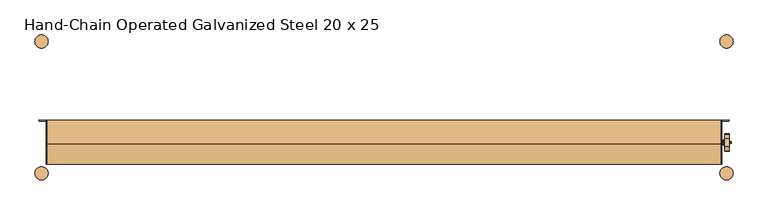
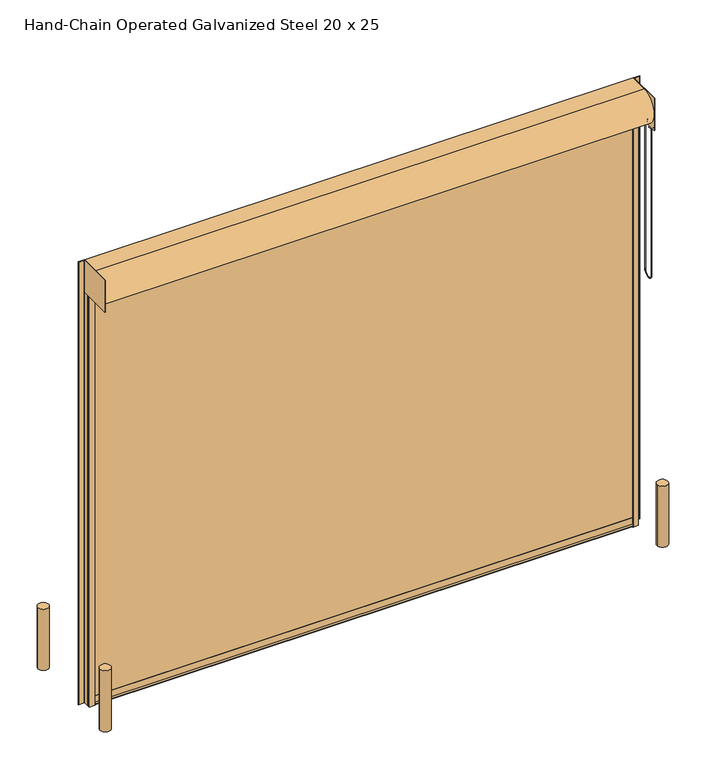
"""IFC4 building model written with IfcOpenShell, lengths in millimetres: door geometry, Hand-Chain Operated Galvanized Steel 20 x 25."""

import ifcopenshell
import ifcopenshell.guid

model = None  # the IFC model being written
_history = None  # IfcOwnerHistory: only IFC2X3 demands one
_inside = {}  # id of a spatial element -> (the spatial element, [elements in it])
_under = {}  # id of a project, library or spatial element -> (it, [spatial elements below it])
_declared = {}  # id of a project -> (the project, [libraries it declares])
_typed = {}  # id of a type object -> (the type object, [elements of that type])
_made_of = {}  # id of a material, layer set ... -> (it, [elements and type objects made of it])


def new_model(schema):
    """Start an empty IFC model of exactly this schema.

    Asked for "IFC4X3", IfcOpenShell would pick the latest addendum, in which some entities
    have other attributes; the version numbers below select the first issue.
    IFC2X3 requires an IfcOwnerHistory on every rooted entity: one is made here for all.
    """
    global model, _history
    if schema == "IFC4X3":
        model = ifcopenshell.file(schema_version=(4, 3, 0, 0))
    else:
        model = ifcopenshell.file(schema=schema)
    _inside.clear()
    _under.clear()
    _declared.clear()
    _typed.clear()
    _made_of.clear()
    _history = None
    if model.schema == "IFC2X3":
        org = make("IfcOrganization", Name="unknown")
        user = make(
            "IfcPersonAndOrganization",
            ThePerson=make("IfcPerson", FamilyName="unknown"),
            TheOrganization=org,
        )
        app = make(
            "IfcApplication",
            ApplicationDeveloper=org,
            Version="unknown",
            ApplicationFullName="unknown",
            ApplicationIdentifier="unknown",
        )
        _history = make(
            "IfcOwnerHistory",
            OwningUser=user,
            OwningApplication=app,
            ChangeAction="ADDED",
            CreationDate=0,
        )
    return model


def make(cls, **values):
    """One entity of the class cls with the attributes given. An attribute that is None is left unset."""
    return model.create_entity(
        cls, **{name: value for name, value in values.items() if value is not None}
    )


def rooted(cls, **values):
    """An entity with a GlobalId (a new one), such as an element, a storey or a relation."""
    return make(cls, GlobalId=ifcopenshell.guid.new(), OwnerHistory=_history, **values)


def si_unit(unit_type, name, prefix=None):
    """IfcSIUnit, for example si_unit("LENGTHUNIT", "METRE", prefix="MILLI")."""
    return make("IfcSIUnit", UnitType=unit_type, Prefix=prefix, Name=name)


def assignment(units):
    """IfcUnitAssignment: the units of a project."""
    return None if units is None else make("IfcUnitAssignment", Units=units)


def point(xyz):
    """IfcCartesianPoint."""
    return None if xyz is None else make("IfcCartesianPoint", Coordinates=xyz)


def direction(xyz):
    """IfcDirection."""
    return None if xyz is None else make("IfcDirection", DirectionRatios=xyz)


def frame(location, z_axis=None, x_axis=None):
    """IfcAxis2Placement3D, a coordinate frame: its origin and axes. An axis left out is left unset."""
    return make(
        "IfcAxis2Placement3D",
        Location=point(location),
        Axis=direction(z_axis),
        RefDirection=direction(x_axis),
    )


def frame_2d(location, x_axis=None):
    """IfcAxis2Placement2D, a coordinate frame in the plane: its origin and x axis."""
    return make(
        "IfcAxis2Placement2D", Location=point(location), RefDirection=direction(x_axis)
    )


def origin():
    """The frame at (0, 0, 0) with its axes left unset."""
    return frame((0.0, 0.0, 0.0))


def origin_with_axes():
    """The frame at (0, 0, 0) with the z axis (0, 0, 1) and the x axis (1, 0, 0) written out."""
    return frame((0.0, 0.0, 0.0), z_axis=(0.0, 0.0, 1.0), x_axis=(1.0, 0.0, 0.0))


def place(relative_to, where):
    """IfcLocalPlacement: puts the frame where relative to a parent placement (None: the world)."""
    return make(
        "IfcLocalPlacement", PlacementRelTo=relative_to, RelativePlacement=where
    )


def context(
    kind, dimensions, precision=None, world=None, true_north=None, identifier=None
):
    """IfcGeometricRepresentationContext, for example the 3D "Model" context."""
    return make(
        "IfcGeometricRepresentationContext",
        ContextIdentifier=identifier,
        ContextType=kind,
        CoordinateSpaceDimension=dimensions,
        Precision=precision,
        WorldCoordinateSystem=world,
        TrueNorth=true_north,
    )


def project(units=None, contexts=None):
    """IfcProject with its units and contexts."""
    return rooted(
        "IfcProject",
        Name="project",
        RepresentationContexts=contexts,
        UnitsInContext=assignment(units),
    )


def spatial(cls, under=None, at=None, **own):
    """A site, building, storey or space (cls), placed at a placement, below another one or the project."""
    s = rooted(cls, ObjectPlacement=at, **own)
    if under is not None:
        _under.setdefault(under.id(), (under, []))[1].append(s)
    return s


def polyline(points):
    """IfcPolyline through the points."""
    return make("IfcPolyline", Points=[point(p) for p in points])


def circle_curve(where, radius):
    """IfcCircle in the frame where."""
    return make("IfcCircle", Position=where, Radius=radius)


def ellipse_curve(where, semi_axis1, semi_axis2):
    """IfcEllipse in the frame where."""
    return make(
        "IfcEllipse", Position=where, SemiAxis1=semi_axis1, SemiAxis2=semi_axis2
    )


def trimmed(basis, trim1, trim2, sense, master):
    """IfcTrimmedCurve: the piece of a basis curve between two trims."""
    return make(
        "IfcTrimmedCurve",
        BasisCurve=basis,
        Trim1=trim1,
        Trim2=trim2,
        SenseAgreement=sense,
        MasterRepresentation=master,
    )


def segment(curve, same_sense, transition):
    """IfcCompositeCurveSegment."""
    return make(
        "IfcCompositeCurveSegment",
        Transition=transition,
        SameSense=same_sense,
        ParentCurve=curve,
    )


def composite_curve(segments, self_intersect=None):
    """IfcCompositeCurve: segments joined end to end."""
    return make("IfcCompositeCurve", Segments=segments, SelfIntersect=self_intersect)


def outline(outer, holes=None, kind="AREA"):
    """IfcArbitraryClosedProfileDef: a profile drawn as a closed curve; with holes, ...WithVoids."""
    if holes is None:
        return make("IfcArbitraryClosedProfileDef", ProfileType=kind, OuterCurve=outer)
    return make(
        "IfcArbitraryProfileDefWithVoids",
        ProfileType=kind,
        OuterCurve=outer,
        InnerCurves=holes,
    )


def extrude(swept, where, along, depth):
    """IfcExtrudedAreaSolid: the profile swept, set in the frame where, extruded along a direction by depth."""
    return make(
        "IfcExtrudedAreaSolid",
        SweptArea=swept,
        Position=where,
        ExtrudedDirection=direction(along),
        Depth=depth,
    )


def shape(context_of_items, identifier, shape_type, items):
    """IfcShapeRepresentation: the items that make up one representation, for example the "Body"."""
    return make(
        "IfcShapeRepresentation",
        ContextOfItems=context_of_items,
        RepresentationIdentifier=identifier,
        RepresentationType=shape_type,
        Items=items,
    )


def source(mapping_origin, context_of_items, identifier, shape_type, items):
    """IfcRepresentationMap: a shape defined once, which mapped items show again and again."""
    return make(
        "IfcRepresentationMap",
        MappingOrigin=mapping_origin,
        MappedRepresentation=shape(context_of_items, identifier, shape_type, items),
    )


def transform(
    local_origin,
    x_axis=None,
    y_axis=None,
    z_axis=None,
    scale=None,
    scale2=None,
    scale3=None,
    uniform=True,
):
    """IfcCartesianTransformationOperator3D, or its non-uniform kind. x_axis, y_axis, z_axis: its Axis1, 2, 3."""
    if uniform:
        return make(
            "IfcCartesianTransformationOperator3D",
            Axis1=direction(x_axis),
            Axis2=direction(y_axis),
            LocalOrigin=point(local_origin),
            Scale=scale,
            Axis3=direction(z_axis),
        )
    return make(
        "IfcCartesianTransformationOperator3DnonUniform",
        Axis1=direction(x_axis),
        Axis2=direction(y_axis),
        LocalOrigin=point(local_origin),
        Scale=scale,
        Axis3=direction(z_axis),
        Scale2=scale2,
        Scale3=scale3,
    )


def mapped(mapping_source, mapping_target):
    """IfcMappedItem: shows the shape of a source again, moved by a transform."""
    return make(
        "IfcMappedItem", MappingSource=mapping_source, MappingTarget=mapping_target
    )


def made_of(thing, what):
    """Note that an element or type object is made of a material, layer set ...; save() writes the relation."""
    if what is not None:
        _made_of.setdefault(what.id(), (what, []))[1].append(thing)
    return thing


def element(
    cls,
    number,
    at=None,
    inside=None,
    cuts=None,
    type_object=None,
    material=None,
    context=None,
    identifier="Body",
    shape_type=None,
    held_by="IfcProductDefinitionShape",
    body=None,
    shapes=None,
    **own,
):
    """One element of the class cls, such as IfcWall. Its Tag is "e" and its number.

    at: its placement. inside: the storey or other place that contains it. cuts: it is an
    opening in that element (IfcRelVoidsElement). A single representation is given by context,
    identifier, shape_type and body (its items); several are given by shapes. held_by: the class
    of the entity that holds the representations. save() writes the other relations.
    """
    e = rooted(cls, Tag="e%d" % number, ObjectPlacement=at, **own)
    if body is not None:
        shapes = [shape(context, identifier, shape_type, body)]
    if shapes is not None:
        e.Representation = make(held_by, Representations=shapes)
    if inside is not None:
        _inside.setdefault(inside.id(), (inside, []))[1].append(e)
    if cuts is not None:
        rooted(
            "IfcRelVoidsElement", RelatingBuildingElement=cuts, RelatedOpeningElement=e
        )
    if type_object is not None:
        _typed.setdefault(type_object.id(), (type_object, []))[1].append(e)
    return made_of(e, material)


def aggregate(whole, parts):
    """IfcRelAggregates: a whole, such as a stair, and the parts it consists of."""
    return rooted("IfcRelAggregates", RelatingObject=whole, RelatedObjects=parts)


def save(model, path):
    """Write the relations noted so far, then the file.

    IfcRelAggregates (storeys below a building ...), IfcRelContainedInSpatialStructure (elements
    in a storey), IfcRelDefinesByType, IfcRelAssociatesMaterial and IfcRelDeclares: one each for
    every whole, place, type object, material and project.
    """
    for whole, parts in _under.values():
        aggregate(whole, parts)
    for where, things in _inside.values():
        rooted(
            "IfcRelContainedInSpatialStructure",
            RelatedElements=things,
            RelatingStructure=where,
        )
    for kind, things in _typed.values():
        rooted("IfcRelDefinesByType", RelatedObjects=things, RelatingType=kind)
    for what, things in _made_of.values():
        rooted("IfcRelAssociatesMaterial", RelatedObjects=things, RelatingMaterial=what)
    for by, libraries in _declared.values():
        rooted("IfcRelDeclares", RelatingContext=by, RelatedDefinitions=libraries)
    model.write(path)


def plane_surface(at):
    """IfcPlane: the flat surface through the origin of the frame at, square to its z axis."""
    return make("IfcPlane", Position=at)


def cylinder_surface(at, radius):
    """IfcCylindricalSurface: all points at the distance radius from the z axis of the frame at."""
    return make("IfcCylindricalSurface", Position=at, Radius=radius)


def revolved_surface(curve, axis_point, axis_direction):
    """IfcSurfaceOfRevolution: the curve turned about the line through axis_point along axis_direction."""
    return make(
        "IfcSurfaceOfRevolution",
        SweptCurve=make("IfcArbitraryOpenProfileDef", ProfileType="CURVE", Curve=curve),
        AxisPosition=make("IfcAxis1Placement", Location=point(axis_point), Axis=direction(axis_direction)),
    )


def advanced_brep(points, edges, surfaces, faces):
    """IfcAdvancedBrep: a solid bounded by faces that lie on surfaces and meet in shared edges.

    An edge is (start, end): straight between two places in points (the first is 0);
    or (start, end, curve); or (start, end, curve, False) where it runs against its curve.
    A face is (place in surfaces, loops), or (place, loops, False) where it looks against
    its surface's normal. A loop lists edges by number (the first is 1), with a minus sign
    where the edge is run from its end to its start. The first loop is the outer one.
    """
    corners = [point(p) for p in points]
    vertices = [make("IfcVertexPoint", VertexGeometry=c) for c in corners]
    made = []
    for start, end, *more in edges:
        made.append(
            make(
                "IfcEdgeCurve",
                EdgeStart=vertices[start],
                EdgeEnd=vertices[end],
                EdgeGeometry=more[0] if more else make("IfcPolyline", Points=[corners[start], corners[end]]),
                SameSense=more[1] if len(more) > 1 else True,
            )
        )
    hull = []
    for where, loops, *sense in faces:
        bounds = []
        for j, loop in enumerate(loops):
            ring = [make("IfcOrientedEdge", EdgeElement=made[abs(k) - 1], Orientation=k > 0) for k in loop]
            bounds.append(
                make(
                    "IfcFaceOuterBound" if j == 0 else "IfcFaceBound",
                    Bound=make("IfcEdgeLoop", EdgeList=ring),
                    Orientation=True,
                )
            )
        hull.append(make("IfcAdvancedFace", Bounds=bounds, FaceSurface=surfaces[where], SameSense=sense[0] if sense else True))
    return make("IfcAdvancedBrep", Outer=make("IfcClosedShell", CfsFaces=hull))


def hand_chain_operated_galvanized_steel_20_x_25_2284f05a(model_context):
    return source(origin(), model_context, "Body", "SolidModel", [
        extrude(outline(composite_curve([segment(trimmed(circle_curve(frame_2d((-3048.0, -762.0)), 76.2), [point((-3124.2, -762.0))], [point((-2971.8, -762.0))], False, "CARTESIAN"), True, "CONTINUOUS"), segment(trimmed(circle_curve(frame_2d((-3048.0, -762.0)), 76.2), [point((-2971.8, -762.0))], [point((-3124.2, -762.0))], False, "CARTESIAN"), True, "CONTINUOUS")], self_intersect=False)), origin_with_axes(), (0.0, 0.0, 1.0), 914.4),
        extrude(outline(composite_curve([segment(trimmed(circle_curve(frame_2d((4876.8, -762.0)), 76.2), [point((4800.6, -762.0))], [point((4953.0, -762.0))], False, "CARTESIAN"), True, "CONTINUOUS"), segment(trimmed(circle_curve(frame_2d((4876.8, -762.0)), 76.2), [point((4953.0, -762.0))], [point((4800.6, -762.0))], False, "CARTESIAN"), True, "CONTINUOUS")], self_intersect=False)), origin_with_axes(), (0.0, 0.0, 1.0), 914.4),
        extrude(outline(composite_curve([segment(trimmed(circle_curve(frame_2d((4876.8, 762.0)), 76.2), [point((4953.0, 762.0))], [point((4800.6, 762.0))], False, "CARTESIAN"), True, "CONTINUOUS"), segment(trimmed(circle_curve(frame_2d((4876.8, 762.0)), 76.2), [point((4800.6, 762.0))], [point((4953.0, 762.0))], False, "CARTESIAN"), True, "CONTINUOUS")], self_intersect=False)), origin_with_axes(), (0.0, 0.0, 1.0), 914.4),
        extrude(outline(composite_curve([segment(trimmed(circle_curve(frame_2d((-3048.0, 762.0)), 76.2), [point((-3124.2, 762.0))], [point((-2971.8, 762.0))], False, "CARTESIAN"), True, "CONTINUOUS"), segment(trimmed(circle_curve(frame_2d((-3048.0, 762.0)), 76.2), [point((-2971.8, 762.0))], [point((-3124.2, 762.0))], False, "CARTESIAN"), True, "CONTINUOUS")], self_intersect=False)), origin_with_axes(), (0.0, 0.0, 1.0), 914.4),
        extrude(outline(polyline([(-2995.6252, -660.4), (-2995.6252, -152.4), (-2989.2752, -152.4), (-2989.2752, -660.4), (-2995.6252, -660.4)])), frame((0.0, 0.0, 6172.2), z_axis=(0.0, 0.0, 1.0), x_axis=(1.0, 0.0, 0.0)), (0.0, 0.0, 1.0), 482.6),
        advanced_brep(
        [(4908.6309604, -455.9483399, 6281.6469387), (4908.6309604, -503.2375, 6158.4544649), (4908.6309604, -503.2375, 6103.6877303), (4908.6309604, -507.3066884, 6093.7069784), (4908.6309604, -505.5997, 6089.65), (4908.6309604, -465.9249, 6089.65), (4908.6309604, -464.2179116, 6093.7069784), (4908.6309604, -468.2871, 6103.6877303), (4908.6309604, -468.2871, 6108.7), (4908.6309604, -455.5871, 6121.4), (4908.6309604, -446.4352267, 6121.4), (4908.6309604, -366.3647733, 6121.4), (4908.6309604, -357.2129, 6121.4), (4908.6309604, -344.7479873, 6106.267727), (4908.6309604, -348.5820884, 6093.7069784), (4908.6309604, -346.8751, 6089.65), (4908.6309604, -307.2003, 6089.65), (4908.6309604, -305.4933116, 6093.7069784), (4908.6309604, -309.5625, 6103.6877303), (4908.6309604, -309.5625, 6156.6891105), (4908.6309604, -310.1951464, 6160.1025652), (4908.6309604, -356.8516601, 6281.6469387), (4908.6309604, -390.525, 6200.775), (4908.6309604, -422.275, 6200.775), (4857.8309604, -455.9483399, 6281.6469387), (4857.8309604, -356.8516601, 6281.6469387), (4857.8309604, -310.1951464, 6160.1025652), (4857.8309604, -309.5625, 6156.6891105), (4857.8309604, -309.5625, 6103.6877303), (4857.8309604, -305.4933116, 6093.7069784), (4857.8309604, -307.2003, 6089.65), (4857.8309604, -346.8751, 6089.65), (4857.8309604, -348.5820884, 6093.7069784), (4857.8309604, -344.7479873, 6106.267727), (4857.8309604, -357.2129, 6121.4), (4857.8309604, -366.3647733, 6121.4), (4857.8309604, -446.4352267, 6121.4), (4857.8309604, -455.5871, 6121.4), (4857.8309604, -468.2871, 6108.7), (4857.8309604, -468.2871, 6103.6877303), (4857.8309604, -464.2179116, 6093.7069784), (4857.8309604, -465.9249, 6089.65), (4857.8309604, -505.5997, 6089.65), (4857.8309604, -507.3066884, 6093.7069784), (4857.8309604, -503.2375, 6103.6877303), (4857.8309604, -503.2375, 6158.4544649), (4857.8309604, -406.4, 6220.3965), (4857.8309604, -406.4, 6182.2965), (4922.9184604, -422.275, 6200.775), (4922.9184604, -390.525, 6200.775), (4922.9184604, -406.4, 6191.8215), (4922.9184604, -406.4, 6210.8715), (4929.1875, -406.4, 6194.9965), (4929.1875, -406.4, 6207.6965), (4926.0125, -406.4, 6210.8715), (4926.0125, -406.4, 6191.8215), (4929.1875, -406.4, 6201.3465), (4824.4125, -406.4, 6175.9465), (4824.4125, -406.4, 6226.7465), (4824.4125, -406.4, 6201.3465), (4830.7625, -406.4, 6175.9465), (4830.7625, -406.4, 6226.7465), (4830.7625, -406.4, 6179.9089), (4830.7625, -406.4, 6222.7841), (4840.8971, -406.4, 6179.9089), (4840.8971, -406.4, 6222.7841), (4840.8971, -406.4, 6176.06715), (4840.8971, -406.4, 6226.62585), (4842.4846, -406.4, 6169.71715), (4842.4846, -406.4, 6232.97585), (4845.05, -406.4, 6169.71715), (4845.05, -406.4, 6232.97585), (4846.6375, -406.4, 6176.06715), (4846.6375, -406.4, 6226.62585), (4846.6375, -406.4, 6182.2965), (4846.6375, -406.4, 6220.3965)],
        [
            (0, 1),
            (1, 2),
            (2, 3, circle_curve(frame((4908.6309604, -517.5123, 6103.6877303), z_axis=(-1.0, 0.0, 0.0), x_axis=(0.0, 1.0, 0.0)), 14.2748)),
            (3, 4, circle_curve(frame((4908.6309604, -505.5997, 6092.0376), z_axis=(1.0, 0.0, 0.0), x_axis=(0.0, 1.0, 0.0)), 2.3876)),
            (4, 5),
            (5, 6, circle_curve(frame((4908.6309604, -465.9249, 6092.0376), z_axis=(1.0, 0.0, 0.0), x_axis=(0.0, 1.0, 0.0)), 2.3876)),
            (6, 7, circle_curve(frame((4908.6309604, -454.0123, 6103.6877303), z_axis=(-1.0, 0.0, 0.0), x_axis=(0.0, 1.0, 0.0)), 14.2748)),
            (7, 8),
            (8, 9, circle_curve(frame((4908.6309604, -455.5871, 6108.7), z_axis=(-1.0, 0.0, 0.0), x_axis=(0.0, 1.0, 0.0)), 12.7)),
            (9, 10),
            (10, 11, circle_curve(frame((4908.6309604, -406.4, 6200.775), z_axis=(1.0, 0.0, 0.0), x_axis=(0.0, 1.0, 0.0)), 88.9)),
            (11, 12),
            (12, 13, circle_curve(frame((4908.6309604, -357.2129, 6108.7), z_axis=(-1.0, 0.0, 0.0), x_axis=(0.0, 1.0, 0.0)), 12.7)),
            (13, 14, circle_curve(frame((4908.6309604, -358.7877, 6103.6877303), z_axis=(-1.0, 0.0, 0.0), x_axis=(0.0, 1.0, 0.0)), 14.2748)),
            (14, 15, circle_curve(frame((4908.6309604, -346.8751, 6092.0376), z_axis=(1.0, 0.0, 0.0), x_axis=(0.0, 1.0, 0.0)), 2.3876)),
            (15, 16),
            (16, 17, circle_curve(frame((4908.6309604, -307.2003, 6092.0376), z_axis=(1.0, 0.0, 0.0), x_axis=(0.0, 1.0, 0.0)), 2.3876)),
            (17, 18, circle_curve(frame((4908.6309604, -295.2877, 6103.6877303), z_axis=(-1.0, 0.0, 0.0), x_axis=(0.0, 1.0, 0.0)), 14.2748)),
            (18, 19),
            (19, 20, circle_curve(frame((4908.6309604, -319.0875, 6156.6891105), z_axis=(1.0, 0.0, 0.0), x_axis=(0.0, 1.0, 0.0)), 9.525)),
            (20, 21),
            (21, 0, circle_curve(frame((4908.6309604, -406.4, 6200.775), z_axis=(1.0, 0.0, 0.0), x_axis=(0.0, 1.0, 0.0)), 94.8436)),
            (22, 23, circle_curve(frame((4908.6309604, -406.4, 6200.775), z_axis=(-1.0, 0.0, 0.0), x_axis=(0.0, 1.0, 0.0)), 15.875)),
            (23, 22, circle_curve(frame((4908.6309604, -406.4, 6200.775), z_axis=(-1.0, 0.0, 0.0), x_axis=(0.0, 1.0, 0.0)), 15.875)),
            (24, 25, circle_curve(frame((4857.8309604, -406.4, 6200.775), z_axis=(-1.0, 0.0, 0.0), x_axis=(0.0, 1.0, 0.0)), 94.8436)),
            (25, 26),
            (26, 27, circle_curve(frame((4857.8309604, -319.0875, 6156.6891105), z_axis=(-1.0, 0.0, 0.0), x_axis=(0.0, 1.0, 0.0)), 9.525)),
            (27, 28),
            (28, 29, circle_curve(frame((4857.8309604, -295.2877, 6103.6877303), z_axis=(1.0, 0.0, 0.0), x_axis=(0.0, 1.0, 0.0)), 14.2748)),
            (29, 30, circle_curve(frame((4857.8309604, -307.2003, 6092.0376), z_axis=(-1.0, 0.0, 0.0), x_axis=(0.0, 1.0, 0.0)), 2.3876)),
            (30, 31),
            (31, 32, circle_curve(frame((4857.8309604, -346.8751, 6092.0376), z_axis=(-1.0, 0.0, 0.0), x_axis=(0.0, 1.0, 0.0)), 2.3876)),
            (32, 33, circle_curve(frame((4857.8309604, -358.7877, 6103.6877303), z_axis=(1.0, 0.0, 0.0), x_axis=(0.0, 1.0, 0.0)), 14.2748)),
            (33, 34, circle_curve(frame((4857.8309604, -357.2129, 6108.7), z_axis=(1.0, 0.0, 0.0), x_axis=(0.0, 1.0, 0.0)), 12.7)),
            (34, 35),
            (35, 36, circle_curve(frame((4857.8309604, -406.4, 6200.775), z_axis=(-1.0, 0.0, 0.0), x_axis=(0.0, 1.0, 0.0)), 88.9)),
            (36, 37),
            (37, 38, circle_curve(frame((4857.8309604, -455.5871, 6108.7), z_axis=(1.0, 0.0, 0.0), x_axis=(0.0, 1.0, 0.0)), 12.7)),
            (38, 39),
            (39, 40, circle_curve(frame((4857.8309604, -454.0123, 6103.6877303), z_axis=(1.0, 0.0, 0.0), x_axis=(0.0, 1.0, 0.0)), 14.2748)),
            (40, 41, circle_curve(frame((4857.8309604, -465.9249, 6092.0376), z_axis=(-1.0, 0.0, 0.0), x_axis=(0.0, 1.0, 0.0)), 2.3876)),
            (41, 42),
            (42, 43, circle_curve(frame((4857.8309604, -505.5997, 6092.0376), z_axis=(-1.0, 0.0, 0.0), x_axis=(0.0, 1.0, 0.0)), 2.3876)),
            (43, 44, circle_curve(frame((4857.8309604, -517.5123, 6103.6877303), z_axis=(1.0, 0.0, 0.0), x_axis=(0.0, 1.0, 0.0)), 14.2748)),
            (44, 45),
            (45, 24),
            (46, 47, circle_curve(frame((4857.8309604, -406.4, 6201.3465), z_axis=(1.0, 0.0, 0.0), x_axis=(0.0, 0.0, 1.0)), 19.05)),
            (47, 46, circle_curve(frame((4857.8309604, -406.4, 6201.3465), z_axis=(1.0, 0.0, 0.0), x_axis=(0.0, 0.0, 1.0)), 19.05)),
            (0, 24),
            (45, 1),
            (44, 2),
            (43, 3),
            (42, 4),
            (41, 5),
            (40, 6),
            (39, 7),
            (38, 8),
            (37, 9),
            (36, 10),
            (35, 11),
            (34, 12),
            (33, 13),
            (32, 14),
            (31, 15),
            (30, 16),
            (29, 17),
            (28, 18),
            (27, 19),
            (26, 20),
            (25, 21),
            (48, 49, circle_curve(frame((4922.9184604, -406.4, 6200.775), z_axis=(1.0, 0.0, 0.0), x_axis=(0.0, 1.0, 0.0)), 15.875)),
            (49, 48, circle_curve(frame((4922.9184604, -406.4, 6200.775), z_axis=(1.0, 0.0, 0.0), x_axis=(0.0, 1.0, 0.0)), 15.875)),
            (50, 51, circle_curve(frame((4922.9184604, -406.4, 6201.3465), z_axis=(-1.0, 0.0, 0.0), x_axis=(0.0, 0.0, 1.0)), 9.525)),
            (51, 50, circle_curve(frame((4922.9184604, -406.4, 6201.3465), z_axis=(-1.0, 0.0, 0.0), x_axis=(0.0, 0.0, 1.0)), 9.525)),
            (48, 23),
            (22, 49),
            (52, 53, circle_curve(frame((4929.1875, -406.4, 6201.3465), z_axis=(-1.0, 0.0, 0.0), x_axis=(0.0, 0.0, 1.0)), 6.35)),
            (53, 54),
            (54, 55, circle_curve(frame((4926.0125, -406.4, 6201.3465), z_axis=(1.0, 0.0, 0.0), x_axis=(0.0, 0.0, 1.0)), 9.525)),
            (55, 52),
            (53, 52, circle_curve(frame((4929.1875, -406.4, 6201.3465), z_axis=(-1.0, 0.0, 0.0), x_axis=(0.0, 0.0, 1.0)), 6.35)),
            (55, 54, circle_curve(frame((4926.0125, -406.4, 6201.3465), z_axis=(1.0, 0.0, 0.0), x_axis=(0.0, 0.0, 1.0)), 9.525)),
            (52, 56),
            (56, 53),
            (54, 51),
            (50, 55),
            (57, 58, circle_curve(frame((4824.4125, -406.4, 6201.3465), z_axis=(-1.0, 0.0, 0.0), x_axis=(0.0, 0.0, 1.0)), 25.4)),
            (58, 59),
            (59, 57),
            (58, 57, circle_curve(frame((4824.4125, -406.4, 6201.3465), z_axis=(-1.0, 0.0, 0.0), x_axis=(0.0, 0.0, 1.0)), 25.4)),
            (57, 60),
            (60, 61, circle_curve(frame((4830.7625, -406.4, 6201.3465), z_axis=(-1.0, 0.0, 0.0), x_axis=(0.0, 0.0, 1.0)), 25.4)),
            (61, 58),
            (61, 60, circle_curve(frame((4830.7625, -406.4, 6201.3465), z_axis=(-1.0, 0.0, 0.0), x_axis=(0.0, 0.0, 1.0)), 25.4)),
            (60, 62),
            (62, 63, circle_curve(frame((4830.7625, -406.4, 6201.3465), z_axis=(-1.0, 0.0, 0.0), x_axis=(0.0, 0.0, 1.0)), 21.4376)),
            (63, 61),
            (63, 62, circle_curve(frame((4830.7625, -406.4, 6201.3465), z_axis=(-1.0, 0.0, 0.0), x_axis=(0.0, 0.0, 1.0)), 21.4376)),
            (62, 64),
            (64, 65, circle_curve(frame((4840.8971, -406.4, 6201.3465), z_axis=(-1.0, 0.0, 0.0), x_axis=(0.0, 0.0, 1.0)), 21.4376)),
            (65, 63),
            (65, 64, circle_curve(frame((4840.8971, -406.4, 6201.3465), z_axis=(-1.0, 0.0, 0.0), x_axis=(0.0, 0.0, 1.0)), 21.4376)),
            (64, 66),
            (66, 67, circle_curve(frame((4840.8971, -406.4, 6201.3465), z_axis=(-1.0, 0.0, 0.0), x_axis=(0.0, 0.0, 1.0)), 25.27935)),
            (67, 65),
            (67, 66, circle_curve(frame((4840.8971, -406.4, 6201.3465), z_axis=(-1.0, 0.0, 0.0), x_axis=(0.0, 0.0, 1.0)), 25.27935)),
            (66, 68),
            (68, 69, circle_curve(frame((4842.4846, -406.4, 6201.3465), z_axis=(-1.0, 0.0, 0.0), x_axis=(0.0, 0.0, 1.0)), 31.62935)),
            (69, 67),
            (69, 68, circle_curve(frame((4842.4846, -406.4, 6201.3465), z_axis=(-1.0, 0.0, 0.0), x_axis=(0.0, 0.0, 1.0)), 31.62935)),
            (68, 70),
            (70, 71, circle_curve(frame((4845.05, -406.4, 6201.3465), z_axis=(-1.0, 0.0, 0.0), x_axis=(0.0, 0.0, 1.0)), 31.62935)),
            (71, 69),
            (71, 70, circle_curve(frame((4845.05, -406.4, 6201.3465), z_axis=(-1.0, 0.0, 0.0), x_axis=(0.0, 0.0, 1.0)), 31.62935)),
            (70, 72),
            (72, 73, circle_curve(frame((4846.6375, -406.4, 6201.3465), z_axis=(-1.0, 0.0, 0.0), x_axis=(0.0, 0.0, 1.0)), 25.27935)),
            (73, 71),
            (73, 72, circle_curve(frame((4846.6375, -406.4, 6201.3465), z_axis=(-1.0, 0.0, 0.0), x_axis=(0.0, 0.0, 1.0)), 25.27935)),
            (72, 74),
            (74, 75, circle_curve(frame((4846.6375, -406.4, 6201.3465), z_axis=(-1.0, 0.0, 0.0), x_axis=(0.0, 0.0, 1.0)), 19.05)),
            (75, 73),
            (75, 74, circle_curve(frame((4846.6375, -406.4, 6201.3465), z_axis=(-1.0, 0.0, 0.0), x_axis=(0.0, 0.0, 1.0)), 19.05)),
            (74, 47),
            (46, 75),
        ],
        [
            plane_surface(frame((4908.6309604, -456.1174554, 6281.2063779), z_axis=(1.0, 0.0, 0.0), x_axis=(0.0, -0.3583679495453003, -0.9335804264972017))),
            plane_surface(frame((4857.8309604, -456.1174554, 6281.2063779), z_axis=(-1.0, 0.0, 0.0), x_axis=(0.0, 0.3583679495453003, 0.9335804264972017))),
            plane_surface(frame((4908.6309604, -455.9483399, 6281.6469387), z_axis=(0.0, -0.9335804264972017, 0.3583679495453003), x_axis=(-1.0, 0.0, 0.0))),
            plane_surface(frame((4908.6309604, -503.2375, 6158.4544649), z_axis=(0.0, -1.0, 0.0), x_axis=(-1.0, 0.0, 0.0))),
            revolved_surface(polyline([(4857.8309604, -503.23749999999995, 6103.6877303), (4908.6309604, -503.23749999999995, 6103.6877303)]), (4857.8309604, -517.5123, 6103.6877303), (-1.0, 0.0, 0.0)),
            cylinder_surface(frame((4857.8309604, -505.5997, 6092.0376), z_axis=(1.0, 0.0, 0.0), x_axis=(0.0, 1.0, 0.0)), 2.3876),
            plane_surface(frame((4908.6309604, -505.5997, 6089.65), z_axis=(0.0, 0.0, -1.0), x_axis=(-1.0, 0.0, 0.0))),
            cylinder_surface(frame((4857.8309604, -465.9249, 6092.0376), z_axis=(1.0, 0.0, 0.0), x_axis=(0.0, 1.0, 0.0)), 2.3876),
            revolved_surface(polyline([(4857.8309604, -439.73749999999995, 6103.6877303), (4908.6309604, -439.73749999999995, 6103.6877303)]), (4857.8309604, -454.0123, 6103.6877303), (-1.0, 0.0, 0.0)),
            plane_surface(frame((4908.6309604, -468.2871, 6103.6877303), z_axis=(0.0, 1.0, 0.0), x_axis=(-1.0, 0.0, 0.0))),
            revolved_surface(polyline([(4857.8309604, -442.88710000000003, 6108.7), (4908.6309604, -442.88710000000003, 6108.7)]), (4857.8309604, -455.5871, 6108.7), (-1.0, 0.0, 0.0)),
            plane_surface(frame((4908.6309604, -455.5871, 6121.4), z_axis=(0.0, 0.0, -1.0), x_axis=(-1.0, 0.0, 0.0))),
            cylinder_surface(frame((4857.8309604, -406.4, 6200.775), z_axis=(1.0, 0.0, 0.0), x_axis=(0.0, 1.0, 0.0)), 88.9),
            plane_surface(frame((4908.6309604, -366.3647733, 6121.4), z_axis=(0.0, 0.0, -1.0), x_axis=(-1.0, 0.0, 0.0))),
            revolved_surface(polyline([(4857.8309604, -344.5129, 6108.7), (4908.6309604, -344.5129, 6108.7)]), (4857.8309604, -357.2129, 6108.7), (-1.0, 0.0, 0.0)),
            revolved_surface(polyline([(4857.8309604, -344.51289999999995, 6103.6877303), (4908.6309604, -344.51289999999995, 6103.6877303)]), (4857.8309604, -358.7877, 6103.6877303), (-1.0, 0.0, 0.0)),
            cylinder_surface(frame((4857.8309604, -346.8751, 6092.0376), z_axis=(1.0, 0.0, 0.0), x_axis=(0.0, 1.0, 0.0)), 2.3876),
            plane_surface(frame((4908.6309604, -346.8751, 6089.65), z_axis=(0.0, 0.0, -1.0), x_axis=(-1.0, 0.0, 0.0))),
            cylinder_surface(frame((4857.8309604, -307.2003, 6092.0376), z_axis=(1.0, 0.0, 0.0), x_axis=(0.0, 1.0, 0.0)), 2.3876),
            revolved_surface(polyline([(4857.8309604, -281.01289999999995, 6103.6877303), (4908.6309604, -281.01289999999995, 6103.6877303)]), (4857.8309604, -295.2877, 6103.6877303), (-1.0, 0.0, 0.0)),
            plane_surface(frame((4908.6309604, -309.5625, 6103.6877303), z_axis=(0.0, 1.0, 0.0), x_axis=(-1.0, 0.0, 0.0))),
            cylinder_surface(frame((4857.8309604, -319.0875, 6156.6891105), z_axis=(1.0, 0.0, 0.0), x_axis=(0.0, 1.0, 0.0)), 9.525),
            plane_surface(frame((4908.6309604, -310.1951464, 6160.1025652), z_axis=(0.0, 0.9335804264972019, 0.35836794954530005), x_axis=(-1.0, 0.0, 0.0))),
            cylinder_surface(frame((4857.8309604, -406.4, 6200.775), z_axis=(1.0, 0.0, 0.0), x_axis=(0.0, 1.0, 0.0)), 94.8436),
            plane_surface(frame((4922.9184604, -390.525, 6200.775), z_axis=(1.0, 0.0, 0.0), x_axis=(0.0, 0.0, 1.0))),
            cylinder_surface(frame((4892.7305604, -406.4, 6200.775), z_axis=(1.0, 0.0, 0.0), x_axis=(0.0, 1.0, 0.0)), 15.875),
            revolved_surface(polyline([(4926.0125, -406.4, 6210.8715), (4929.1875, -406.4, 6207.6965)]), (4857.8309604, -406.4, 6201.3465), (1.0, 0.0, 0.0)),
            plane_surface(frame((4929.1875, -406.4, 6201.3465), z_axis=(1.0, 0.0, 0.0), x_axis=(0.0, 0.0, 1.0))),
            cylinder_surface(frame((4857.8309604, -406.4, 6201.3465), z_axis=(1.0, 0.0, 0.0), x_axis=(0.0, 0.0, 1.0)), 9.525),
            plane_surface(frame((4824.4125, -406.4, 6201.3465), z_axis=(-1.0, 0.0, 0.0), x_axis=(0.0, 0.0, 1.0))),
            cylinder_surface(frame((4857.8309604, -406.4, 6201.3465), z_axis=(1.0, 0.0, 0.0), x_axis=(0.0, 0.0, 1.0)), 25.4),
            plane_surface(frame((4830.7625, -406.4, 6201.3465), z_axis=(1.0, 0.0, 0.0), x_axis=(0.0, 0.0, 1.0))),
            cylinder_surface(frame((4857.8309604, -406.4, 6201.3465), z_axis=(1.0, 0.0, 0.0), x_axis=(0.0, 0.0, 1.0)), 21.4376),
            plane_surface(frame((4840.8971, -406.4, 6201.3465), z_axis=(-1.0, 0.0, 0.0), x_axis=(0.0, 0.0, 1.0))),
            revolved_surface(polyline([(4840.8971, -406.4, 6226.62585), (4842.4846, -406.4, 6232.97585)]), (4857.8309604, -406.4, 6201.3465), (1.0, 0.0, 0.0)),
            cylinder_surface(frame((4857.8309604, -406.4, 6201.3465), z_axis=(1.0, 0.0, 0.0), x_axis=(0.0, 0.0, 1.0)), 31.62935),
            revolved_surface(polyline([(4845.05, -406.4, 6232.97585), (4846.6375, -406.4, 6226.62585)]), (4857.8309604, -406.4, 6201.3465), (1.0, 0.0, 0.0)),
            plane_surface(frame((4846.6375, -406.4, 6201.3465), z_axis=(1.0, 0.0, 0.0), x_axis=(0.0, 0.0, 1.0))),
            cylinder_surface(frame((4857.8309604, -406.4, 6201.3465), z_axis=(1.0, 0.0, 0.0), x_axis=(0.0, 0.0, 1.0)), 19.05),
        ],
        [
            (0, [[1, 2, 3, 4, 5, 6, 7, 8, 9, 10, 11, 12, 13, 14, 15, 16, 17, 18, 19, 20, 21, 22], [23, 24]]),
            (1, [[25, 26, 27, 28, 29, 30, 31, 32, 33, 34, 35, 36, 37, 38, 39, 40, 41, 42, 43, 44, 45, 46], [47, 48]]),
            (2, [[-1, 49, -46, 50]]),
            (3, [[-2, -50, -45, 51]]),
            (4, [[-3, -51, -44, 52]]),
            (5, [[-4, -52, -43, 53]]),
            (6, [[-5, -53, -42, 54]]),
            (7, [[-6, -54, -41, 55]]),
            (8, [[-7, -55, -40, 56]]),
            (9, [[-8, -56, -39, 57]]),
            (10, [[-9, -57, -38, 58]]),
            (11, [[-10, -58, -37, 59]]),
            (12, [[-11, -59, -36, 60]]),
            (13, [[-12, -60, -35, 61]]),
            (14, [[-13, -61, -34, 62]]),
            (15, [[-14, -62, -33, 63]]),
            (16, [[-15, -63, -32, 64]]),
            (17, [[-16, -64, -31, 65]]),
            (18, [[-17, -65, -30, 66]]),
            (19, [[-18, -66, -29, 67]]),
            (20, [[-19, -67, -28, 68]]),
            (21, [[-20, -68, -27, 69]]),
            (22, [[-21, -69, -26, 70]]),
            (23, [[-22, -70, -25, -49]]),
            (24, [[71, 72], [73, 74]]),
            (25, [[-71, 75, -23, 76]]),
            (25, [[-72, -76, -24, -75]]),
            (26, [[77, 78, 79, 80]]),
            (26, [[-78, 81, -80, 82]]),
            (27, [[-77, 83, 84]]),
            (27, [[-81, -84, -83]]),
            (28, [[-79, 85, -73, 86]]),
            (28, [[-82, -86, -74, -85]]),
            (29, [[87, 88, 89]]),
            (29, [[-88, 90, -89]]),
            (30, [[-87, 91, 92, 93]]),
            (30, [[-90, -93, 94, -91]]),
            (31, [[-92, 95, 96, 97]]),
            (31, [[-94, -97, 98, -95]]),
            (32, [[-96, 99, 100, 101]]),
            (32, [[-98, -101, 102, -99]]),
            (33, [[-100, 103, 104, 105]]),
            (33, [[-102, -105, 106, -103]]),
            (34, [[-104, 107, 108, 109]]),
            (34, [[-106, -109, 110, -107]]),
            (35, [[-108, 111, 112, 113]]),
            (35, [[-110, -113, 114, -111]]),
            (36, [[-112, 115, 116, 117]]),
            (36, [[-114, -117, 118, -115]]),
            (37, [[-116, 119, 120, 121]]),
            (37, [[-118, -121, 122, -119]]),
            (38, [[-120, 123, -47, 124]]),
            (38, [[-122, -124, -48, -123]]),
        ],
    ),
        advanced_brep(
        [(4886.9659087, -328.6125, 6172.2), (4879.3340913, -328.6125, 6172.2), (4886.9659087, -328.6125, 3873.5), (4879.3340913, -328.6125, 3873.5), (4879.3340913, -487.3625, 3873.5), (4886.9659087, -487.3625, 3873.5), (4886.9659087, -487.3625, 6172.2), (4879.3340913, -487.3625, 6172.2)],
        [
            (0, 1, circle_curve(frame((4883.15, -328.6125, 6172.2), z_axis=(0.0, 0.0, 1.0), x_axis=(-1.0, 0.0, 0.0)), 3.8159087)),
            (1, 0, circle_curve(frame((4883.15, -328.6125, 6172.2), z_axis=(0.0, 0.0, 1.0), x_axis=(-1.0, 0.0, 0.0)), 3.8159087)),
            (0, 2),
            (2, 3, circle_curve(frame((4883.15, -328.6125, 3873.5), z_axis=(0.0, 0.0, 1.0), x_axis=(-1.0, 0.0, 0.0)), 3.8159087)),
            (3, 1),
            (3, 2, circle_curve(frame((4883.15, -328.6125, 3873.5), z_axis=(0.0, 0.0, 1.0), x_axis=(-1.0, 0.0, 0.0)), 3.8159087)),
            (4, 3, circle_curve(frame((4879.3340913, -407.9875, 3873.5), z_axis=(1.0, 0.0, 0.0), x_axis=(0.0, 1.0, 0.0)), 79.375)),
            (2, 5, circle_curve(frame((4886.9659087, -407.9875, 3873.5), z_axis=(-1.0, 0.0, 0.0), x_axis=(0.0, 1.0, 0.0)), 79.375)),
            (5, 4, circle_curve(frame((4883.15, -487.3625, 3873.5), z_axis=(0.0, 0.0, -1.0), x_axis=(-1.0, 0.0, 0.0)), 3.8159087)),
            (4, 5, circle_curve(frame((4883.15, -487.3625, 3873.5), z_axis=(0.0, 0.0, -1.0), x_axis=(-1.0, 0.0, 0.0)), 3.8159087)),
            (6, 7, circle_curve(frame((4883.15, -487.3625, 6172.2), z_axis=(0.0, 0.0, 1.0), x_axis=(-1.0, 0.0, 0.0)), 3.8159087)),
            (7, 6, circle_curve(frame((4883.15, -487.3625, 6172.2), z_axis=(0.0, 0.0, 1.0), x_axis=(-1.0, 0.0, 0.0)), 3.8159087)),
            (5, 6),
            (7, 4),
        ],
        [
            plane_surface(frame((4883.15, -328.6125, 6172.2), z_axis=(0.0, 0.0, 1.0), x_axis=(-1.0, 0.0, 0.0))),
            cylinder_surface(frame((4883.15, -328.6125, 6172.2), z_axis=(0.0, 0.0, 1.0), x_axis=(-1.0, 0.0, 0.0)), 3.8159087),
            revolved_surface(trimmed(ellipse_curve(frame((4883.15, -328.6125, 3873.5), z_axis=(0.0, 0.0, 1.0), x_axis=(-1.0, 0.0, 0.0)), 3.8159087, 3.8159087), [point((4886.9659087, -328.6125, 3873.5))], [point((4879.3340913, -328.6125, 3873.5))], True, "CARTESIAN"), (4883.15, -407.9875, 3873.5), (-1.0, 0.0, 0.0)),
            revolved_surface(trimmed(ellipse_curve(frame((4883.15, -328.6125, 3873.5), z_axis=(0.0, 0.0, 1.0), x_axis=(-1.0, 0.0, 0.0)), 3.8159087, 3.8159087), [point((4879.3340913, -328.6125, 3873.5))], [point((4886.9659087, -328.6125, 3873.5))], True, "CARTESIAN"), (4883.15, -407.9875, 3873.5), (-1.0, 0.0, 0.0)),
            plane_surface(frame((4883.15, -487.3625, 6172.2), z_axis=(0.0, 0.0, 1.0), x_axis=(-1.0, 0.0, 0.0))),
            cylinder_surface(frame((4883.15, -487.3625, 3873.5), z_axis=(0.0, 0.0, -1.0), x_axis=(-1.0, 0.0, 0.0)), 3.8159087),
        ],
        [
            (0, [[1, 2]]),
            (1, [[-1, 3, 4, 5]]),
            (1, [[-2, -5, 6, -3]]),
            (2, [[7, -4, 8, 9]]),
            (3, [[-8, -6, -7, 10]]),
            (4, [[11, 12]]),
            (5, [[-9, 13, -12, 14]]),
            (5, [[-10, -14, -11, -13]]),
        ],
    ),
        extrude(outline(polyline([(4824.4125, -152.4), (4824.4125, -660.4), (4818.0625, -660.4), (4818.0625, -152.4), (4824.4125, -152.4)])), frame((0.0, 0.0, 6172.2), z_axis=(0.0, 0.0, 1.0), x_axis=(1.0, 0.0, 0.0)), (0.0, 0.0, 1.0), 482.6),
        advanced_brep(
        [(4824.4252, -238.125, 6172.2), (4824.4252, -161.925, 6172.2), (4824.4252, -152.4, 6172.2), (4818.0752, -152.4, 6172.2), (4818.0752, -241.3, 6172.2), (4821.2502, -241.3, 6172.2), (4818.0752, -152.4, 0.0), (4906.9752, -152.4, 0.0), (4906.9752, -155.575, 0.0), (4903.8002, -158.75, 0.0), (4827.6002, -158.75, 0.0), (4824.4252, -161.925, 0.0), (4824.4252, -238.125, 0.0), (4821.2502, -241.3, 0.0), (4818.0752, -241.3, 0.0), (4824.4252, -152.4, 6654.8), (4906.9752, -152.4, 6654.8), (4827.6002, -158.75, 6654.8), (4903.8002, -158.75, 6654.8), (4906.9752, -155.575, 6654.8), (4824.4252, -161.925, 6654.8)],
        [
            (0, 1),
            (1, 2),
            (2, 3),
            (3, 4),
            (4, 5),
            (5, 0, circle_curve(frame((4821.2502, -238.125, 6172.2), z_axis=(0.0, 0.0, 1.0), x_axis=(-1.0, 0.0, 0.0)), 3.175)),
            (6, 7),
            (7, 8),
            (8, 9, circle_curve(frame((4903.8002, -155.575, 0.0), z_axis=(0.0, 0.0, -1.0), x_axis=(-1.0, 0.0, 0.0)), 3.175)),
            (9, 10),
            (10, 11, circle_curve(frame((4827.6002, -161.925, 0.0), z_axis=(0.0, 0.0, 1.0), x_axis=(-1.0, 0.0, 0.0)), 3.175)),
            (11, 12),
            (12, 13, circle_curve(frame((4821.2502, -238.125, 0.0), z_axis=(0.0, 0.0, -1.0), x_axis=(-1.0, 0.0, 0.0)), 3.175)),
            (13, 14),
            (14, 6),
            (11, 1),
            (0, 12),
            (5, 13),
            (4, 14),
            (3, 6),
            (2, 15),
            (15, 16),
            (16, 7),
            (17, 18),
            (18, 19, circle_curve(frame((4903.8002, -155.575, 6654.8), z_axis=(0.0, 0.0, 1.0), x_axis=(-1.0, 0.0, 0.0)), 3.175)),
            (19, 16),
            (15, 20),
            (20, 17, circle_curve(frame((4827.6002, -161.925, 6654.8), z_axis=(0.0, 0.0, -1.0), x_axis=(-1.0, 0.0, 0.0)), 3.175)),
            (20, 1),
            (10, 17),
            (19, 8),
            (18, 9),
        ],
        [
            plane_surface(frame((4818.0752, -238.125, 6172.2), z_axis=(0.0, 0.0, 1.0), x_axis=(0.0, 1.0, 0.0))),
            plane_surface(frame((4818.0752, -238.125, 0.0), z_axis=(0.0, 0.0, -1.0), x_axis=(0.0, -1.0, 0.0))),
            plane_surface(frame((4824.4252, -152.4, 6172.2), z_axis=(1.0, 0.0, 0.0), x_axis=(0.0, 0.0, -1.0))),
            cylinder_surface(frame((4821.2502, -238.125, 0.0), z_axis=(0.0, 0.0, 1.0), x_axis=(-1.0, 0.0, 0.0)), 3.175),
            plane_surface(frame((4821.2502, -241.3, 6172.2), z_axis=(0.0, -1.0, 0.0), x_axis=(0.0, 0.0, -1.0))),
            plane_surface(frame((4818.0752, -241.3, 6172.2), z_axis=(-1.0, 0.0, 0.0), x_axis=(0.0, 0.0, -1.0))),
            plane_surface(frame((4818.0752, -152.4, 6172.2), z_axis=(0.0, 1.0, 0.0), x_axis=(0.0, 0.0, -1.0))),
            plane_surface(frame((4824.4252, -161.925, 6654.8), z_axis=(0.0, 0.0, 1.0), x_axis=(0.0, -1.0, 0.0))),
            revolved_surface(polyline([(4824.4252, -161.925, 0.0), (4824.4252, -161.925, 6654.8)]), (4827.6002, -161.925, 0.0), (0.0, 0.0, -1.0)),
            plane_surface(frame((4824.4252, -161.925, 6654.8), z_axis=(-1.0, 0.0, 0.0), x_axis=(0.0, 0.0, -1.0))),
            plane_surface(frame((4906.9752, -152.4, 6654.8), z_axis=(1.0, 0.0, 0.0), x_axis=(0.0, 0.0, -1.0))),
            cylinder_surface(frame((4903.8002, -155.575, 0.0), z_axis=(0.0, 0.0, 1.0), x_axis=(-1.0, 0.0, 0.0)), 3.175),
            plane_surface(frame((4903.8002, -158.75, 6654.8), z_axis=(0.0, -1.0, 0.0), x_axis=(0.0, 0.0, -1.0))),
        ],
        [
            (0, [[1, 2, 3, 4, 5, 6]]),
            (1, [[7, 8, 9, 10, 11, 12, 13, 14, 15]]),
            (2, [[-12, 16, -1, 17]]),
            (3, [[18, -13, -17, -6]]),
            (4, [[19, -14, -18, -5]]),
            (5, [[20, -15, -19, -4]]),
            (6, [[21, 22, 23, -7, -20, -3]]),
            (7, [[24, 25, 26, -22, 27, 28]]),
            (8, [[29, -16, -11, 30, -28]]),
            (9, [[-21, -2, -29, -27]]),
            (10, [[31, -8, -23, -26]]),
            (11, [[32, -9, -31, -25]]),
            (12, [[-30, -10, -32, -24]]),
        ],
    ),
        extrude(outline(composite_curve([segment(trimmed(circle_curve(frame_2d((4810.9314515, -265.9062498)), 2.38125), [point((4810.9314515, -268.2874998))], [point((4813.3127015, -265.9062498))], True, "CARTESIAN"), True, "CONTINUOUS"), segment(polyline([(4813.3127015, -265.9062498), (4813.3127015, -199.2312498)]), True, "CONTINUOUS"), segment(trimmed(circle_curve(frame_2d((4815.6939515, -199.2312498)), 2.38125), [point((4813.3127015, -199.2312498))], [point((4815.6939515, -196.8499998))], False, "CARTESIAN"), True, "CONTINUOUS"), segment(polyline([(4815.6939515, -196.8499998), (4818.0752015, -196.8499998), (4818.0752015, -273.0499998), (4741.8752015, -273.0499998), (4741.8752015, -270.6687498)]), True, "CONTINUOUS"), segment(trimmed(circle_curve(frame_2d((4744.2564515, -270.6687498)), 2.38125), [point((4741.8752015, -270.6687498))], [point((4744.2564515, -268.2874998))], False, "CARTESIAN"), True, "CONTINUOUS"), segment(polyline([(4744.2564515, -268.2874998), (4810.9314515, -268.2874998)]), True, "CONTINUOUS")], self_intersect=False)), origin_with_axes(), (0.0, 0.0, 1.0), 6172.2),
        extrude(outline(composite_curve([segment(polyline([(4737.1127015, -233.3624998), (4737.1127015, -230.9812498)]), True, "CONTINUOUS"), segment(trimmed(circle_curve(frame_2d((4739.4939515, -230.9812498)), 2.38125), [point((4737.1127015, -230.9812498))], [point((4739.4939515, -228.5999998))], False, "CARTESIAN"), True, "CONTINUOUS"), segment(polyline([(4739.4939515, -228.5999998), (4806.1689515, -228.5999998)]), True, "CONTINUOUS"), segment(trimmed(circle_curve(frame_2d((4806.1689515, -226.2187498)), 2.38125), [point((4806.1689515, -228.5999998))], [point((4808.5502015, -226.2187498))], True, "CARTESIAN"), True, "CONTINUOUS"), segment(polyline([(4808.5502015, -226.2187498), (4808.5502015, -184.9437498)]), True, "CONTINUOUS"), segment(trimmed(circle_curve(frame_2d((4810.9314515, -184.9437498)), 2.38125), [point((4808.5502015, -184.9437498))], [point((4810.9314515, -182.5624998))], False, "CARTESIAN"), True, "CONTINUOUS"), segment(polyline([(4810.9314515, -182.5624998), (4813.3127015, -182.5624998), (4813.3127015, -233.3624998), (4737.1127015, -233.3624998)]), True, "CONTINUOUS")], self_intersect=False)), origin_with_axes(), (0.0, 0.0, 1.0), 6172.2),
        advanced_brep(
        [(-2995.6252, -238.125, 6172.2), (-2992.4502, -241.3, 6172.2), (-2989.2752, -241.3, 6172.2), (-2989.2752, -152.4, 6172.2), (-2995.6252, -152.4, 6172.2), (-2995.6252, -161.925, 6172.2), (-2989.2752, -152.4, 0.0), (-2989.2752, -241.3, 0.0), (-2992.4502, -241.3, 0.0), (-2995.6252, -238.125, 0.0), (-2995.6252, -161.925, 0.0), (-2998.8002, -158.75, 0.0), (-3075.0002, -158.75, 0.0), (-3078.1752, -155.575, 0.0), (-3078.1752, -152.4, 0.0), (-3078.1752, -152.4, 6654.8), (-2995.6252, -152.4, 6654.8), (-2998.8002, -158.75, 6654.8), (-2995.6252, -161.925, 6654.8), (-3078.1752, -155.575, 6654.8), (-3075.0002, -158.75, 6654.8)],
        [
            (0, 1, circle_curve(frame((-2992.4502, -238.125, 6172.2), z_axis=(0.0, 0.0, 1.0), x_axis=(1.0, 0.0, 0.0)), 3.175)),
            (1, 2),
            (2, 3),
            (3, 4),
            (4, 5),
            (5, 0),
            (6, 7),
            (7, 8),
            (8, 9, circle_curve(frame((-2992.4502, -238.125, 0.0), z_axis=(0.0, 0.0, -1.0), x_axis=(1.0, 0.0, 0.0)), 3.175)),
            (9, 10),
            (10, 11, circle_curve(frame((-2998.8002, -161.925, 0.0), z_axis=(0.0, 0.0, 1.0), x_axis=(1.0, 0.0, 0.0)), 3.175)),
            (11, 12),
            (12, 13, circle_curve(frame((-3075.0002, -155.575, 0.0), z_axis=(0.0, 0.0, -1.0), x_axis=(1.0, 0.0, 0.0)), 3.175)),
            (13, 14),
            (14, 6),
            (0, 9),
            (8, 1),
            (7, 2),
            (6, 3),
            (14, 15),
            (15, 16),
            (16, 4),
            (5, 10),
            (17, 18, circle_curve(frame((-2998.8002, -161.925, 6654.8), z_axis=(0.0, 0.0, -1.0), x_axis=(1.0, 0.0, 0.0)), 3.175)),
            (18, 16),
            (15, 19),
            (19, 20, circle_curve(frame((-3075.0002, -155.575, 6654.8), z_axis=(0.0, 0.0, 1.0), x_axis=(1.0, 0.0, 0.0)), 3.175)),
            (20, 17),
            (17, 11),
            (5, 18),
            (13, 19),
            (12, 20),
        ],
        [
            plane_surface(frame((-2989.2752, -238.125, 6172.2), z_axis=(0.0, 0.0, 1.0), x_axis=(0.0, 1.0, 0.0))),
            plane_surface(frame((-2989.2752, -238.125, 0.0), z_axis=(0.0, 0.0, -1.0), x_axis=(0.0, -1.0, 0.0))),
            cylinder_surface(frame((-2992.4502, -238.125, 0.0), z_axis=(0.0, 0.0, 1.0), x_axis=(1.0, 0.0, 0.0)), 3.175),
            plane_surface(frame((-2992.4502, -241.3, 6172.2), z_axis=(0.0, -1.0, 0.0), x_axis=(0.0, 0.0, -1.0))),
            plane_surface(frame((-2989.2752, -241.3, 6172.2), z_axis=(1.0, 0.0, 0.0), x_axis=(0.0, 0.0, -1.0))),
            plane_surface(frame((-2989.2752, -152.4, 6172.2), z_axis=(0.0, 1.0, 0.0), x_axis=(0.0, 0.0, -1.0))),
            plane_surface(frame((-2995.6252, -152.4, 6172.2), z_axis=(-1.0, 0.0, 0.0), x_axis=(0.0, 0.0, -1.0))),
            plane_surface(frame((-2995.6252, -161.925, 6654.8), z_axis=(0.0, 0.0, 1.0), x_axis=(0.0, -1.0, 0.0))),
            revolved_surface(polyline([(-2995.6252, -161.925, 0.0), (-2995.6252, -161.925, 6654.8)]), (-2998.8002, -161.925, 0.0), (0.0, 0.0, -1.0)),
            plane_surface(frame((-2995.6252, -161.925, 6654.8), z_axis=(1.0, 0.0, 0.0), x_axis=(0.0, 0.0, -1.0))),
            plane_surface(frame((-3078.1752, -152.4, 6654.8), z_axis=(-1.0, 0.0, 0.0), x_axis=(0.0, 0.0, -1.0))),
            cylinder_surface(frame((-3075.0002, -155.575, 0.0), z_axis=(0.0, 0.0, 1.0), x_axis=(1.0, 0.0, 0.0)), 3.175),
            plane_surface(frame((-3075.0002, -158.75, 6654.8), z_axis=(0.0, -1.0, 0.0), x_axis=(0.0, 0.0, -1.0))),
        ],
        [
            (0, [[1, 2, 3, 4, 5, 6]]),
            (1, [[7, 8, 9, 10, 11, 12, 13, 14, 15]]),
            (2, [[-1, 16, -9, 17]]),
            (3, [[-2, -17, -8, 18]]),
            (4, [[-3, -18, -7, 19]]),
            (5, [[-4, -19, -15, 20, 21, 22]]),
            (6, [[-16, -6, 23, -10]]),
            (7, [[24, 25, -21, 26, 27, 28]]),
            (8, [[-24, 29, -11, -23, 30]]),
            (9, [[-25, -30, -5, -22]]),
            (10, [[-26, -20, -14, 31]]),
            (11, [[-27, -31, -13, 32]]),
            (12, [[-28, -32, -12, -29]]),
        ],
    ),
        extrude(outline(composite_curve([segment(polyline([(-2982.1314515, -268.2874998), (-2915.4564515, -268.2874998)]), True, "CONTINUOUS"), segment(trimmed(circle_curve(frame_2d((-2915.4564515, -270.6687498)), 2.38125), [point((-2915.4564515, -268.2874998))], [point((-2913.0752015, -270.6687498))], False, "CARTESIAN"), True, "CONTINUOUS"), segment(polyline([(-2913.0752015, -270.6687498), (-2913.0752015, -273.0499998), (-2989.2752015, -273.0499998), (-2989.2752015, -196.8499998), (-2986.8939515, -196.8499998)]), True, "CONTINUOUS"), segment(trimmed(circle_curve(frame_2d((-2986.8939515, -199.2312498)), 2.38125), [point((-2986.8939515, -196.8499998))], [point((-2984.5127015, -199.2312498))], False, "CARTESIAN"), True, "CONTINUOUS"), segment(polyline([(-2984.5127015, -199.2312498), (-2984.5127015, -265.9062498)]), True, "CONTINUOUS"), segment(trimmed(circle_curve(frame_2d((-2982.1314515, -265.9062498)), 2.38125), [point((-2984.5127015, -265.9062498))], [point((-2982.1314515, -268.2874998))], True, "CARTESIAN"), True, "CONTINUOUS")], self_intersect=False)), origin_with_axes(), (0.0, 0.0, 1.0), 6172.2),
        extrude(outline(composite_curve([segment(polyline([(-2908.3127015, -233.3624998), (-2984.5127015, -233.3624998), (-2984.5127015, -182.5624998), (-2982.1314515, -182.5624998)]), True, "CONTINUOUS"), segment(trimmed(circle_curve(frame_2d((-2982.1314515, -184.9437498)), 2.38125), [point((-2982.1314515, -182.5624998))], [point((-2979.7502015, -184.9437498))], False, "CARTESIAN"), True, "CONTINUOUS"), segment(polyline([(-2979.7502015, -184.9437498), (-2979.7502015, -226.2187498)]), True, "CONTINUOUS"), segment(trimmed(circle_curve(frame_2d((-2977.3689515, -226.2187498)), 2.38125), [point((-2979.7502015, -226.2187498))], [point((-2977.3689515, -228.5999998))], True, "CARTESIAN"), True, "CONTINUOUS"), segment(polyline([(-2977.3689515, -228.5999998), (-2910.6939515, -228.5999998)]), True, "CONTINUOUS"), segment(trimmed(circle_curve(frame_2d((-2910.6939515, -230.9812498)), 2.38125), [point((-2910.6939515, -228.5999998))], [point((-2908.3127015, -230.9812498))], False, "CARTESIAN"), True, "CONTINUOUS"), segment(polyline([(-2908.3127015, -230.9812498), (-2908.3127015, -233.3624998)]), True, "CONTINUOUS")], self_intersect=False)), origin_with_axes(), (0.0, 0.0, 1.0), 6172.2),
        extrude(outline(composite_curve([segment(polyline([(-240.337181, 140.5929688), (-240.337181, 46.7690062), (-202.5685055, 40.7007965)]), True, "CONTINUOUS"), segment(trimmed(circle_curve(frame_2d((-202.757882, 39.5221129)), 1.1938), [point((-202.5685055, 40.7007965))], [point((-201.7006976, 38.9675684))], False, "CARTESIAN"), True, "CONTINUOUS"), segment(polyline([(-201.7006976, 38.9675684), (-206.6717964, 38.9675684), (-240.8578813, 44.4601712), (-240.8578813, 11.4847687)]), True, "CONTINUOUS"), segment(trimmed(circle_curve(frame_2d((-252.3640813, 11.4847687)), 11.5062), [point((-240.8578813, 11.4847687))], [point((-242.3441554, 5.8284692))], False, "CARTESIAN"), True, "CONTINUOUS"), segment(trimmed(circle_curve(frame_2d((-252.3640813, 11.4847687)), 11.5062), [point((-242.3441554, 5.8284692))], [point((-248.0725729, 0.8088335))], False, "CARTESIAN"), True, "CONTINUOUS"), segment(trimmed(circle_curve(frame_2d((-252.3640813, 11.4847687)), 11.5062), [point((-248.0725729, 0.8088335))], [point((-256.8896028, 0.9059081))], False, "CARTESIAN"), True, "CONTINUOUS"), segment(trimmed(circle_curve(frame_2d((-252.3640813, 11.4847687)), 11.5062), [point((-256.8896028, 0.9059081))], [point((-262.1278267, 5.3969191))], False, "CARTESIAN"), True, "CONTINUOUS"), segment(trimmed(circle_curve(frame_2d((-252.3640813, 11.4847687)), 11.5062), [point((-262.1278267, 5.3969191))], [point((-263.8702813, 11.4847687))], False, "CARTESIAN"), True, "CONTINUOUS"), segment(polyline([(-263.8702813, 11.4847687), (-263.8702813, 41.3551688), (-299.633481, 41.3551688)]), True, "CONTINUOUS"), segment(trimmed(circle_curve(frame_2d((-299.633481, 40.5677688)), 0.7874), [point((-299.633481, 41.3551688))], [point((-300.420881, 40.5677688))], True, "CARTESIAN"), True, "CONTINUOUS"), segment(polyline([(-300.420881, 40.5677688), (-300.420881, 39.7549688)]), True, "CONTINUOUS"), segment(trimmed(circle_curve(frame_2d((-301.208281, 39.7549688)), 0.7874), [point((-300.420881, 39.7549688))], [point((-301.208281, 38.9675688))], False, "CARTESIAN"), True, "CONTINUOUS"), segment(polyline([(-301.208281, 38.9675688), (-302.770381, 38.9675688)]), True, "CONTINUOUS"), segment(trimmed(circle_curve(frame_2d((-302.770381, 40.1613688)), 1.1938), [point((-302.770381, 38.9675688))], [point((-303.964181, 40.1613688))], False, "CARTESIAN"), True, "CONTINUOUS"), segment(polyline([(-303.964181, 40.1613688), (-303.964181, 42.5489688)]), True, "CONTINUOUS"), segment(trimmed(circle_curve(frame_2d((-302.770381, 42.5489688)), 1.1938), [point((-303.964181, 42.5489688))], [point((-302.770381, 43.7427688))], False, "CARTESIAN"), True, "CONTINUOUS"), segment(polyline([(-302.770381, 43.7427688), (-264.289381, 43.7427688), (-264.289381, 140.5929688), (-240.337181, 140.5929688)]), True, "CONTINUOUS")], self_intersect=False)), frame((-2908.3, 0.0, 0.0), z_axis=(1.0, 0.0, 0.0), x_axis=(0.0, 1.0, 0.0)), (0.0, 0.0, 1.0), 7645.4),
        extrude(outline(composite_curve([segment(polyline([(-152.4, 6654.8), (-152.4, 6172.2), (-419.1, 6172.2)]), True, "CONTINUOUS"), segment(trimmed(circle_curve(frame_2d((-419.1, 6413.5)), 241.3), [point((-419.1, 6172.2))], [point((-419.1, 6654.8))], False, "CARTESIAN"), True, "CONTINUOUS"), segment(polyline([(-419.1, 6654.8), (-152.4, 6654.8)]), True, "CONTINUOUS")], self_intersect=False)), frame((-2989.2752, 0.0, 0.0), z_axis=(1.0, 0.0, 0.0), x_axis=(0.0, 1.0, 0.0)), (0.0, 0.0, 1.0), 7807.3377),
        extrude(outline(polyline([(4764.0875, -264.289381), (-2935.2875, -264.289381), (-2935.2875, -240.337181), (4764.0875, -240.337181), (4764.0875, -264.289381)])), frame((0.0, 0.0, 140.5929687), z_axis=(0.0, 0.0, 1.0), x_axis=(1.0, 0.0, 0.0)), (0.0, 0.0, 1.0), 6031.6070313),
    ])


if __name__ == "__main__":
    model = new_model("IFC4")
    model_context = context("Model", 3, world=origin())
    ifc_project = project(units=[si_unit("LENGTHUNIT", "METRE", prefix="MILLI")], contexts=[model_context])
    site = spatial("IfcSite", under=ifc_project)
    building = spatial("IfcBuilding", under=site)
    placement = place(None, origin())
    hand_chain_operated_galvanized_steel_20_x_25_shape = hand_chain_operated_galvanized_steel_20_x_25_2284f05a(model_context)
    element("IfcDoor", 1, ObjectType="Hand-Chain Operated Galvanized Steel 20 x 25", at=placement, inside=building, context=model_context, shape_type="MappedRepresentation", body=[
        mapped(hand_chain_operated_galvanized_steel_20_x_25_shape, transform((0.0, 0.0, 0.0), x_axis=(1.0, 0.0, 0.0), y_axis=(0.0, 1.0, 0.0), z_axis=(0.0, 0.0, 1.0))),
    ])
    save(model, "model.ifc")
